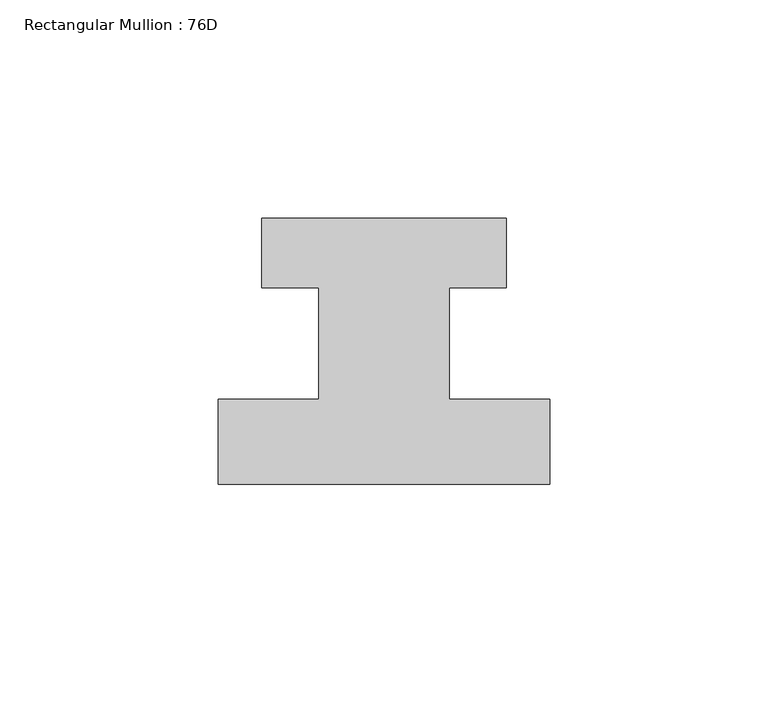
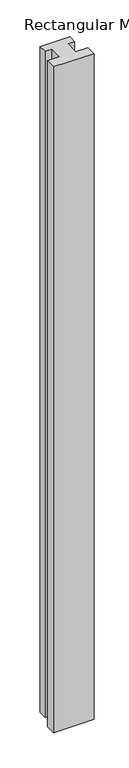
"""IFC4 building model written with IfcOpenShell, lengths in millimetres: member geometry, Rectangular Mullion : 76D."""

from ifc_helpers import new_model, si_unit, frame, origin, place, context, project, spatial, polyline, outline, extrude, source, transform, mapped, element, save


def rectangular_mullion_76d_6fffc64f(model_context):
    return source(origin(), model_context, "Body", "SweptSolid", [
        extrude(outline(polyline([(38.0, -20.0), (-38.0, -20.0), (-38.0, -0.5), (-15.0, -0.5), (-15.0, 25.0), (-28.0, 25.0), (-28.0, 41.0), (28.0, 41.0), (28.0, 25.0), (15.0, 25.0), (15.0, -0.5), (38.0, -0.5), (38.0, -20.0)])), frame((0.0, 0.0, -1322.465707), z_axis=(0.0, 0.0, 1.0), x_axis=(1.0, 0.0, 0.0)), (0.0, 0.0, 1.0), 1322.465707),
    ])


if __name__ == "__main__":
    model = new_model("IFC4")
    model_context = context("Model", 3, world=origin())
    ifc_project = project(units=[si_unit("LENGTHUNIT", "METRE", prefix="MILLI")], contexts=[model_context])
    site = spatial("IfcSite", under=ifc_project)
    building = spatial("IfcBuilding", under=site)
    placement = place(None, origin())
    rectangular_mullion_76d_shape = rectangular_mullion_76d_6fffc64f(model_context)
    element("IfcMember", 1, ObjectType="Rectangular Mullion : 76D", at=placement, inside=building, context=model_context, shape_type="MappedRepresentation", body=[
        mapped(rectangular_mullion_76d_shape, transform((0.0, 0.0, 0.0), x_axis=(1.0, 0.0, 0.0), y_axis=(0.0, 1.0, 0.0), z_axis=(0.0, 0.0, 1.0))),
    ])
    save(model, "model.ifc")
